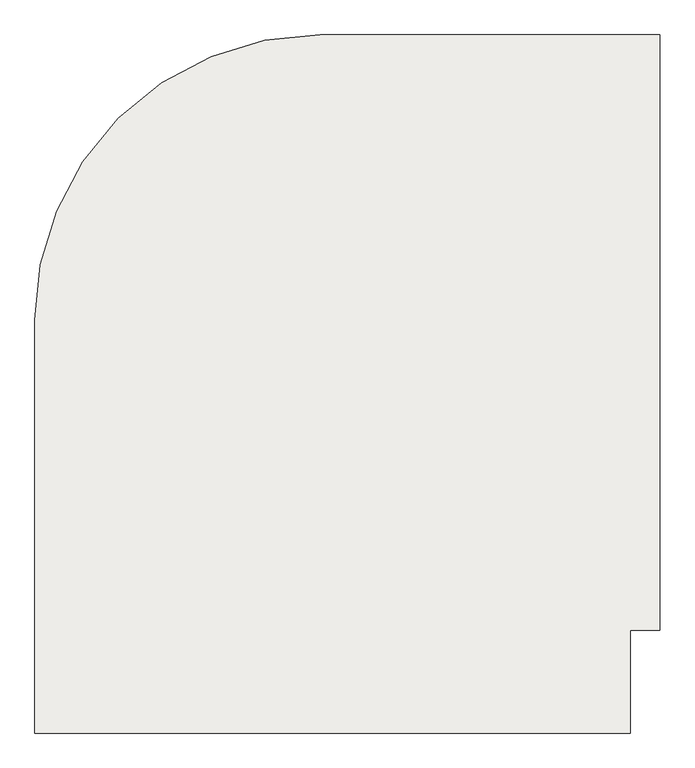
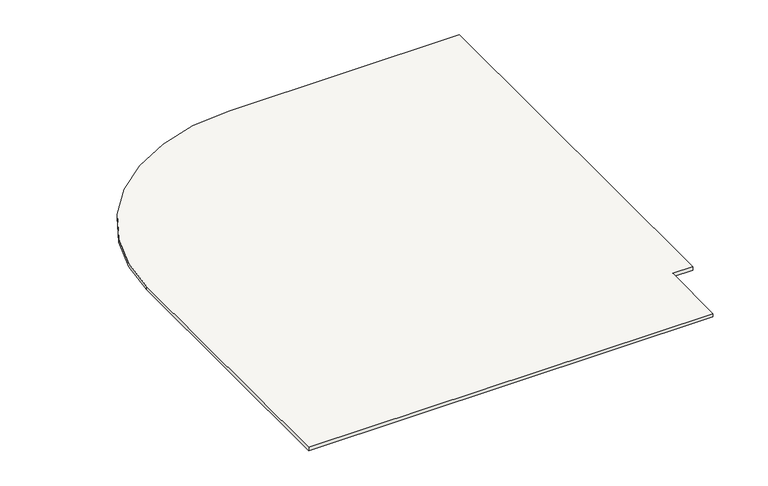
"""IFC4 building model written with IfcOpenShell, lengths in millimetres: slab geometry."""

from ifc_helpers import new_model, si_unit, point, frame, frame_2d, origin, place, context, project, spatial, polyline, circle_curve, trimmed, segment, composite_curve, outline, extrude, source, transform, mapped, element, save


def slab_e91fc277(model_context):
    return source(origin(), model_context, "Body", "SweptSolid", [
        extrude(outline(composite_curve([segment(polyline([(138007.7671954, 85709.8253141), (137888.4918276, 85709.8253141), (137888.4918276, 85295.1344505), (135488.4918276, 85295.1344505), (135488.4918276, 86959.8253141)]), True, "CONTINUOUS"), segment(trimmed(circle_curve(frame_2d((136638.4918276, 86959.8253141)), 1150.0), [point((135488.4918276, 86959.8253141))], [point((136638.4918276, 88109.8253141))], False, "CARTESIAN"), True, "CONTINUOUS"), segment(polyline([(136638.4918276, 88109.8253141), (138007.7671954, 88109.8253141), (138007.7671954, 85709.8253141)]), True, "CONTINUOUS")], self_intersect=False)), frame((0.0, 0.0, 2538.7145136), z_axis=(0.0, 0.0, 1.0), x_axis=(1.0, 0.0, 0.0)), (0.0, 0.0, 1.0), 20.0),
    ])


if __name__ == "__main__":
    model = new_model("IFC4")
    model_context = context("Model", 3, world=origin())
    ifc_project = project(units=[si_unit("LENGTHUNIT", "METRE", prefix="MILLI")], contexts=[model_context])
    site = spatial("IfcSite", under=ifc_project)
    building = spatial("IfcBuilding", under=site)
    placement = place(None, origin())
    slab_shape = slab_e91fc277(model_context)
    element("IfcSlab", 1, at=placement, inside=building, context=model_context, shape_type="MappedRepresentation", body=[
        mapped(slab_shape, transform((0.0, 0.0, 0.0), x_axis=(1.0, 0.0, 0.0), y_axis=(0.0, 1.0, 0.0), z_axis=(0.0, 0.0, 1.0))),
    ])
    save(model, "model.ifc")
